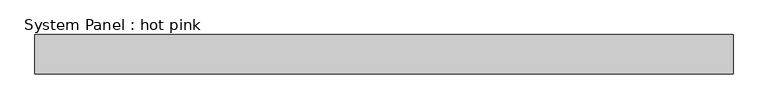
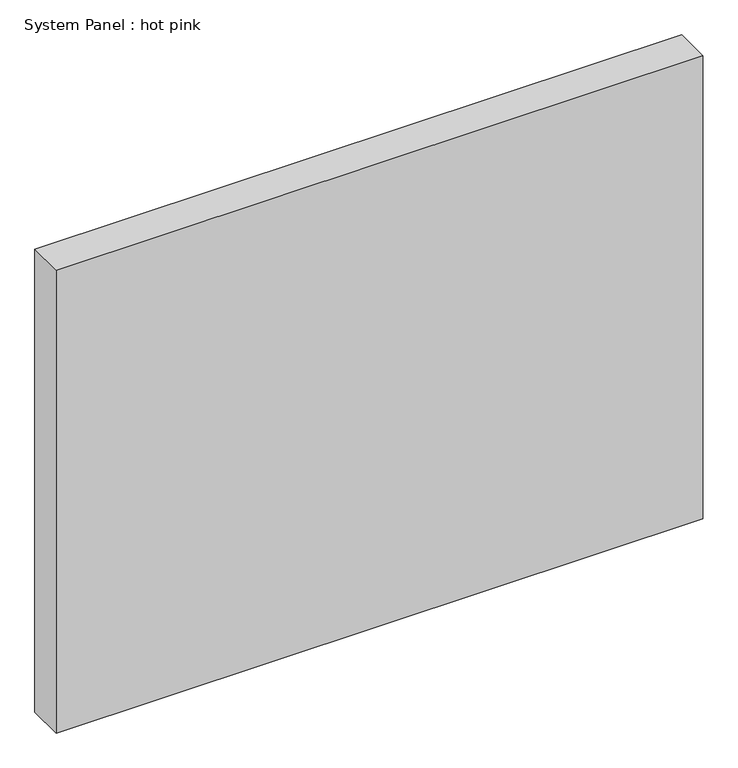
"""IFC4 building model written with IfcOpenShell, lengths in millimetres: plate geometry, System Panel : hot pink."""

from ifc_helpers import new_model, si_unit, origin, origin_with_axes, place, context, project, spatial, polyline, outline, extrude, source, transform, mapped, element, save


def system_panel_hot_pink_bc5ced8f(model_context):
    return source(origin(), model_context, "Body", "SweptSolid", [
        extrude(outline(polyline([(561.975, -44.45), (-561.975, -44.45), (-561.975, 19.05), (561.975, 19.05), (561.975, -44.45)])), origin_with_axes(), (0.0, 0.0, 1.0), 850.9),
    ])


if __name__ == "__main__":
    model = new_model("IFC4")
    model_context = context("Model", 3, world=origin())
    ifc_project = project(units=[si_unit("LENGTHUNIT", "METRE", prefix="MILLI")], contexts=[model_context])
    site = spatial("IfcSite", under=ifc_project)
    building = spatial("IfcBuilding", under=site)
    placement = place(None, origin())
    system_panel_hot_pink_shape = system_panel_hot_pink_bc5ced8f(model_context)
    element("IfcPlate", 1, ObjectType="System Panel : hot pink", at=placement, inside=building, context=model_context, shape_type="MappedRepresentation", body=[
        mapped(system_panel_hot_pink_shape, transform((0.0, 0.0, 0.0), x_axis=(1.0, 0.0, 0.0), y_axis=(0.0, 1.0, 0.0), z_axis=(0.0, 0.0, 1.0))),
    ])
    save(model, "model.ifc")
